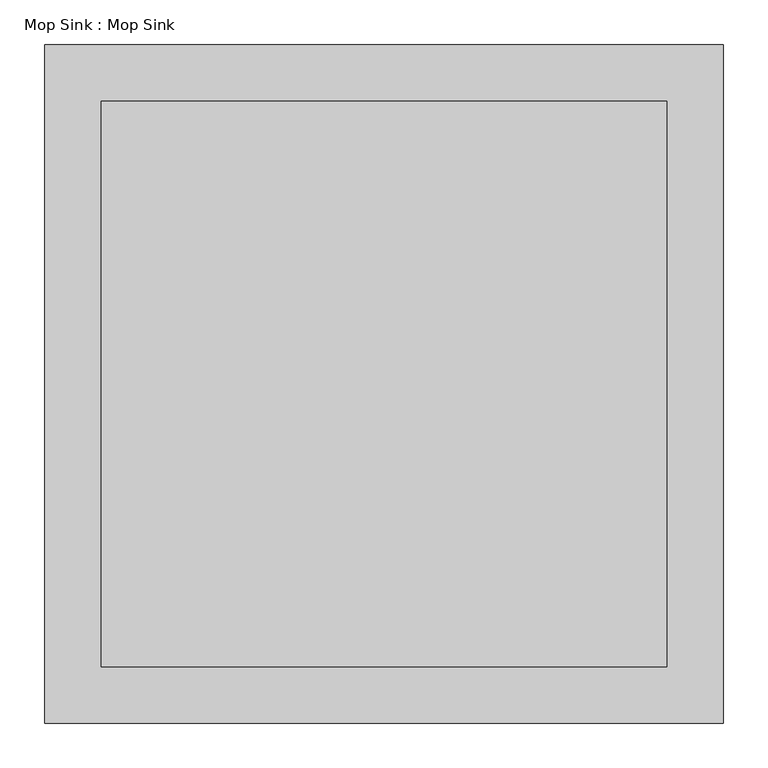
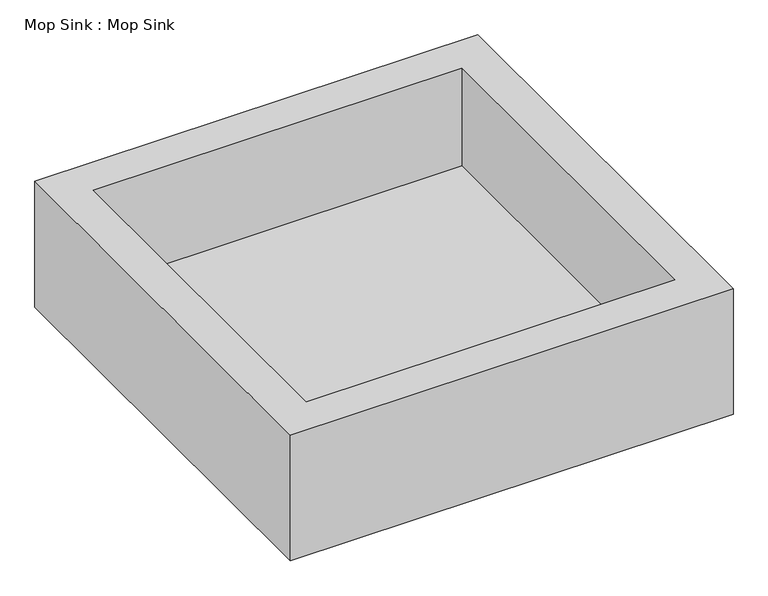
"""IFC4 building model written with IfcOpenShell, lengths in millimetres: flow terminal geometry, Mop Sink : Mop Sink."""

from ifc_helpers import new_model, si_unit, origin, origin_with_axes, place, context, project, spatial, polyline, outline, extrude, source, transform, mapped, element, save


def mop_sink_mop_sink_339b81de(model_context):
    return source(origin(), model_context, "Body", "SweptSolid", [
        extrude(outline(polyline([(393.7, 63.5), (-241.3, 63.5), (-241.3, 698.5), (393.7, 698.5), (393.7, 63.5)])), origin_with_axes(), (0.0, 0.0, 1.0), 50.8),
        extrude(outline(polyline([(457.2, 0.0), (-304.8, 0.0), (-304.8, 762.0), (457.2, 762.0), (457.2, 0.0)]), holes=[polyline([(-241.3, 63.5), (393.7, 63.5), (393.7, 698.5), (-241.3, 698.5), (-241.3, 63.5)])]), origin_with_axes(), (0.0, 0.0, 1.0), 228.6),
    ])


if __name__ == "__main__":
    model = new_model("IFC4")
    model_context = context("Model", 3, world=origin())
    ifc_project = project(units=[si_unit("LENGTHUNIT", "METRE", prefix="MILLI")], contexts=[model_context])
    site = spatial("IfcSite", under=ifc_project)
    building = spatial("IfcBuilding", under=site)
    placement = place(None, origin())
    mop_sink_mop_sink_shape = mop_sink_mop_sink_339b81de(model_context)
    element("IfcFlowTerminal", 1, ObjectType="Mop Sink : Mop Sink", at=placement, inside=building, context=model_context, shape_type="MappedRepresentation", body=[
        mapped(mop_sink_mop_sink_shape, transform((0.0, 0.0, 0.0), x_axis=(1.0, 0.0, 0.0), y_axis=(0.0, 1.0, 0.0), z_axis=(0.0, 0.0, 1.0))),
    ])
    save(model, "model.ifc")
